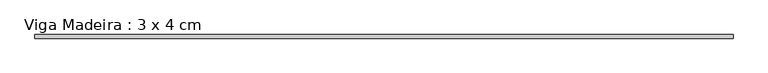
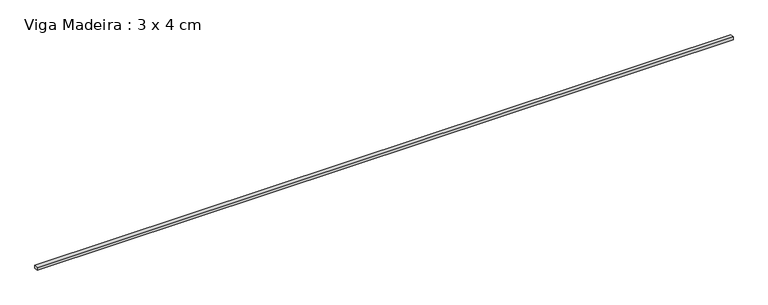
"""IFC4 building model written with IfcOpenShell, lengths in millimetres: beam geometry, Viga Madeira : 3 x 4 cm."""

from ifc_helpers import new_model, si_unit, frame, origin, place, context, project, spatial, polyline, outline, extrude, source, transform, mapped, element, save


def viga_madeira_3_x_4_cm_4c1a7e10(model_context):
    return source(origin(), model_context, "Body", "SweptSolid", [
        extrude(outline(polyline([(3823.1787585, 20.0), (3823.1787585, -20.0), (-3823.1787585, -20.0), (-3823.1787585, 20.0), (3823.1787585, 20.0)])), frame((0.0, 0.0, -15.0), z_axis=(0.0, 0.0, 1.0), x_axis=(1.0, 0.0, 0.0)), (0.0, 0.0, 1.0), 30.0),
    ])


if __name__ == "__main__":
    model = new_model("IFC4")
    model_context = context("Model", 3, world=origin())
    ifc_project = project(units=[si_unit("LENGTHUNIT", "METRE", prefix="MILLI")], contexts=[model_context])
    site = spatial("IfcSite", under=ifc_project)
    building = spatial("IfcBuilding", under=site)
    placement = place(None, origin())
    viga_madeira_3_x_4_cm_shape = viga_madeira_3_x_4_cm_4c1a7e10(model_context)
    element("IfcBeam", 1, ObjectType="Viga Madeira : 3 x 4 cm", at=placement, inside=building, context=model_context, shape_type="MappedRepresentation", body=[
        mapped(viga_madeira_3_x_4_cm_shape, transform((0.0, 0.0, 0.0), x_axis=(1.0, 0.0, 0.0), y_axis=(0.0, 1.0, 0.0), z_axis=(0.0, 0.0, 1.0))),
    ])
    save(model, "model.ifc")
